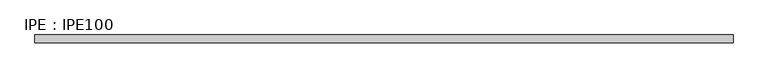
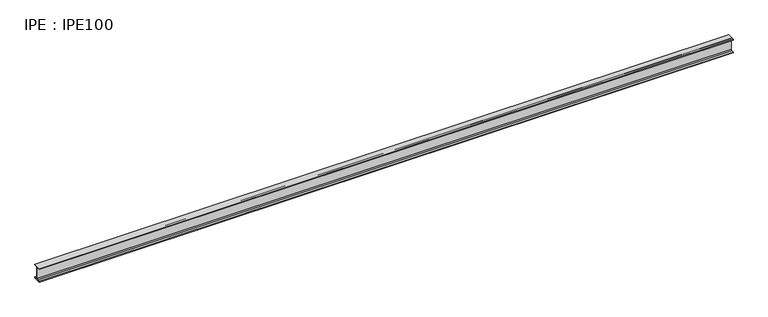
"""IFC4 building model written with IfcOpenShell, lengths in millimetres: beam geometry, IPE : IPE100."""

import ifcopenshell
import ifcopenshell.guid

model = None  # the IFC model being written
_history = None  # IfcOwnerHistory: only IFC2X3 demands one
_inside = {}  # id of a spatial element -> (the spatial element, [elements in it])
_under = {}  # id of a project, library or spatial element -> (it, [spatial elements below it])
_declared = {}  # id of a project -> (the project, [libraries it declares])
_typed = {}  # id of a type object -> (the type object, [elements of that type])
_made_of = {}  # id of a material, layer set ... -> (it, [elements and type objects made of it])


def new_model(schema):
    """Start an empty IFC model of exactly this schema.

    Asked for "IFC4X3", IfcOpenShell would pick the latest addendum, in which some entities
    have other attributes; the version numbers below select the first issue.
    IFC2X3 requires an IfcOwnerHistory on every rooted entity: one is made here for all.
    """
    global model, _history
    if schema == "IFC4X3":
        model = ifcopenshell.file(schema_version=(4, 3, 0, 0))
    else:
        model = ifcopenshell.file(schema=schema)
    _inside.clear()
    _under.clear()
    _declared.clear()
    _typed.clear()
    _made_of.clear()
    _history = None
    if model.schema == "IFC2X3":
        org = make("IfcOrganization", Name="unknown")
        user = make(
            "IfcPersonAndOrganization",
            ThePerson=make("IfcPerson", FamilyName="unknown"),
            TheOrganization=org,
        )
        app = make(
            "IfcApplication",
            ApplicationDeveloper=org,
            Version="unknown",
            ApplicationFullName="unknown",
            ApplicationIdentifier="unknown",
        )
        _history = make(
            "IfcOwnerHistory",
            OwningUser=user,
            OwningApplication=app,
            ChangeAction="ADDED",
            CreationDate=0,
        )
    return model


def make(cls, **values):
    """One entity of the class cls with the attributes given. An attribute that is None is left unset."""
    return model.create_entity(
        cls, **{name: value for name, value in values.items() if value is not None}
    )


def rooted(cls, **values):
    """An entity with a GlobalId (a new one), such as an element, a storey or a relation."""
    return make(cls, GlobalId=ifcopenshell.guid.new(), OwnerHistory=_history, **values)


def si_unit(unit_type, name, prefix=None):
    """IfcSIUnit, for example si_unit("LENGTHUNIT", "METRE", prefix="MILLI")."""
    return make("IfcSIUnit", UnitType=unit_type, Prefix=prefix, Name=name)


def assignment(units):
    """IfcUnitAssignment: the units of a project."""
    return None if units is None else make("IfcUnitAssignment", Units=units)


def point(xyz):
    """IfcCartesianPoint."""
    return None if xyz is None else make("IfcCartesianPoint", Coordinates=xyz)


def direction(xyz):
    """IfcDirection."""
    return None if xyz is None else make("IfcDirection", DirectionRatios=xyz)


def frame(location, z_axis=None, x_axis=None):
    """IfcAxis2Placement3D, a coordinate frame: its origin and axes. An axis left out is left unset."""
    return make(
        "IfcAxis2Placement3D",
        Location=point(location),
        Axis=direction(z_axis),
        RefDirection=direction(x_axis),
    )


def frame_2d(location, x_axis=None):
    """IfcAxis2Placement2D, a coordinate frame in the plane: its origin and x axis."""
    return make(
        "IfcAxis2Placement2D", Location=point(location), RefDirection=direction(x_axis)
    )


def origin():
    """The frame at (0, 0, 0) with its axes left unset."""
    return frame((0.0, 0.0, 0.0))


def place(relative_to, where):
    """IfcLocalPlacement: puts the frame where relative to a parent placement (None: the world)."""
    return make(
        "IfcLocalPlacement", PlacementRelTo=relative_to, RelativePlacement=where
    )


def context(
    kind, dimensions, precision=None, world=None, true_north=None, identifier=None
):
    """IfcGeometricRepresentationContext, for example the 3D "Model" context."""
    return make(
        "IfcGeometricRepresentationContext",
        ContextIdentifier=identifier,
        ContextType=kind,
        CoordinateSpaceDimension=dimensions,
        Precision=precision,
        WorldCoordinateSystem=world,
        TrueNorth=true_north,
    )


def project(units=None, contexts=None):
    """IfcProject with its units and contexts."""
    return rooted(
        "IfcProject",
        Name="project",
        RepresentationContexts=contexts,
        UnitsInContext=assignment(units),
    )


def spatial(cls, under=None, at=None, **own):
    """A site, building, storey or space (cls), placed at a placement, below another one or the project."""
    s = rooted(cls, ObjectPlacement=at, **own)
    if under is not None:
        _under.setdefault(under.id(), (under, []))[1].append(s)
    return s


def polyline(points):
    """IfcPolyline through the points."""
    return make("IfcPolyline", Points=[point(p) for p in points])


def circle_curve(where, radius):
    """IfcCircle in the frame where."""
    return make("IfcCircle", Position=where, Radius=radius)


def trimmed(basis, trim1, trim2, sense, master):
    """IfcTrimmedCurve: the piece of a basis curve between two trims."""
    return make(
        "IfcTrimmedCurve",
        BasisCurve=basis,
        Trim1=trim1,
        Trim2=trim2,
        SenseAgreement=sense,
        MasterRepresentation=master,
    )


def segment(curve, same_sense, transition):
    """IfcCompositeCurveSegment."""
    return make(
        "IfcCompositeCurveSegment",
        Transition=transition,
        SameSense=same_sense,
        ParentCurve=curve,
    )


def composite_curve(segments, self_intersect=None):
    """IfcCompositeCurve: segments joined end to end."""
    return make("IfcCompositeCurve", Segments=segments, SelfIntersect=self_intersect)


def outline(outer, holes=None, kind="AREA"):
    """IfcArbitraryClosedProfileDef: a profile drawn as a closed curve; with holes, ...WithVoids."""
    if holes is None:
        return make("IfcArbitraryClosedProfileDef", ProfileType=kind, OuterCurve=outer)
    return make(
        "IfcArbitraryProfileDefWithVoids",
        ProfileType=kind,
        OuterCurve=outer,
        InnerCurves=holes,
    )


def extrude(swept, where, along, depth):
    """IfcExtrudedAreaSolid: the profile swept, set in the frame where, extruded along a direction by depth."""
    return make(
        "IfcExtrudedAreaSolid",
        SweptArea=swept,
        Position=where,
        ExtrudedDirection=direction(along),
        Depth=depth,
    )


def shape(context_of_items, identifier, shape_type, items):
    """IfcShapeRepresentation: the items that make up one representation, for example the "Body"."""
    return make(
        "IfcShapeRepresentation",
        ContextOfItems=context_of_items,
        RepresentationIdentifier=identifier,
        RepresentationType=shape_type,
        Items=items,
    )


def source(mapping_origin, context_of_items, identifier, shape_type, items):
    """IfcRepresentationMap: a shape defined once, which mapped items show again and again."""
    return make(
        "IfcRepresentationMap",
        MappingOrigin=mapping_origin,
        MappedRepresentation=shape(context_of_items, identifier, shape_type, items),
    )


def transform(
    local_origin,
    x_axis=None,
    y_axis=None,
    z_axis=None,
    scale=None,
    scale2=None,
    scale3=None,
    uniform=True,
):
    """IfcCartesianTransformationOperator3D, or its non-uniform kind. x_axis, y_axis, z_axis: its Axis1, 2, 3."""
    if uniform:
        return make(
            "IfcCartesianTransformationOperator3D",
            Axis1=direction(x_axis),
            Axis2=direction(y_axis),
            LocalOrigin=point(local_origin),
            Scale=scale,
            Axis3=direction(z_axis),
        )
    return make(
        "IfcCartesianTransformationOperator3DnonUniform",
        Axis1=direction(x_axis),
        Axis2=direction(y_axis),
        LocalOrigin=point(local_origin),
        Scale=scale,
        Axis3=direction(z_axis),
        Scale2=scale2,
        Scale3=scale3,
    )


def mapped(mapping_source, mapping_target):
    """IfcMappedItem: shows the shape of a source again, moved by a transform."""
    return make(
        "IfcMappedItem", MappingSource=mapping_source, MappingTarget=mapping_target
    )


def made_of(thing, what):
    """Note that an element or type object is made of a material, layer set ...; save() writes the relation."""
    if what is not None:
        _made_of.setdefault(what.id(), (what, []))[1].append(thing)
    return thing


def element(
    cls,
    number,
    at=None,
    inside=None,
    cuts=None,
    type_object=None,
    material=None,
    context=None,
    identifier="Body",
    shape_type=None,
    held_by="IfcProductDefinitionShape",
    body=None,
    shapes=None,
    **own,
):
    """One element of the class cls, such as IfcWall. Its Tag is "e" and its number.

    at: its placement. inside: the storey or other place that contains it. cuts: it is an
    opening in that element (IfcRelVoidsElement). A single representation is given by context,
    identifier, shape_type and body (its items); several are given by shapes. held_by: the class
    of the entity that holds the representations. save() writes the other relations.
    """
    e = rooted(cls, Tag="e%d" % number, ObjectPlacement=at, **own)
    if body is not None:
        shapes = [shape(context, identifier, shape_type, body)]
    if shapes is not None:
        e.Representation = make(held_by, Representations=shapes)
    if inside is not None:
        _inside.setdefault(inside.id(), (inside, []))[1].append(e)
    if cuts is not None:
        rooted(
            "IfcRelVoidsElement", RelatingBuildingElement=cuts, RelatedOpeningElement=e
        )
    if type_object is not None:
        _typed.setdefault(type_object.id(), (type_object, []))[1].append(e)
    return made_of(e, material)


def aggregate(whole, parts):
    """IfcRelAggregates: a whole, such as a stair, and the parts it consists of."""
    return rooted("IfcRelAggregates", RelatingObject=whole, RelatedObjects=parts)


def save(model, path):
    """Write the relations noted so far, then the file.

    IfcRelAggregates (storeys below a building ...), IfcRelContainedInSpatialStructure (elements
    in a storey), IfcRelDefinesByType, IfcRelAssociatesMaterial and IfcRelDeclares: one each for
    every whole, place, type object, material and project.
    """
    for whole, parts in _under.values():
        aggregate(whole, parts)
    for where, things in _inside.values():
        rooted(
            "IfcRelContainedInSpatialStructure",
            RelatedElements=things,
            RelatingStructure=where,
        )
    for kind, things in _typed.values():
        rooted("IfcRelDefinesByType", RelatedObjects=things, RelatingType=kind)
    for what, things in _made_of.values():
        rooted("IfcRelAssociatesMaterial", RelatedObjects=things, RelatingMaterial=what)
    for by, libraries in _declared.values():
        rooted("IfcRelDeclares", RelatingContext=by, RelatedDefinitions=libraries)
    model.write(path)


def ipe_ipe100_3b2d3b2d(model_context):
    return source(origin(), model_context, "Body", "SweptSolid", [
        extrude(outline(composite_curve([segment(polyline([(27.5, -44.3), (27.5, -50.0), (-27.5, -50.0), (-27.5, -44.3), (-9.05, -44.3)]), True, "CONTINUOUS"), segment(trimmed(circle_curve(frame_2d((-9.05, -37.3)), 7.0), [point((-9.05, -44.3))], [point((-2.05, -37.3))], True, "CARTESIAN"), True, "CONTINUOUS"), segment(polyline([(-2.05, -37.3), (-2.05, 37.3)]), True, "CONTINUOUS"), segment(trimmed(circle_curve(frame_2d((-9.05, 37.3)), 7.0), [point((-2.05, 37.3))], [point((-9.05, 44.3))], True, "CARTESIAN"), True, "CONTINUOUS"), segment(polyline([(-9.05, 44.3), (-27.5, 44.3), (-27.5, 50.0), (27.5, 50.0), (27.5, 44.3), (9.05, 44.3)]), True, "CONTINUOUS"), segment(trimmed(circle_curve(frame_2d((9.05, 37.3)), 7.0), [point((9.05, 44.3))], [point((2.05, 37.3))], True, "CARTESIAN"), True, "CONTINUOUS"), segment(polyline([(2.05, 37.3), (2.05, -37.3)]), True, "CONTINUOUS"), segment(trimmed(circle_curve(frame_2d((9.05, -37.3)), 7.0), [point((2.05, -37.3))], [point((9.05, -44.3))], True, "CARTESIAN"), True, "CONTINUOUS"), segment(polyline([(9.05, -44.3), (27.5, -44.3)]), True, "CONTINUOUS")], self_intersect=False)), frame((-2431.1, 0.0, 0.0), z_axis=(1.0, 0.0, 0.0), x_axis=(0.0, 1.0, 0.0)), (0.0, 0.0, 1.0), 4880.3),
    ])


if __name__ == "__main__":
    model = new_model("IFC4")
    model_context = context("Model", 3, world=origin())
    ifc_project = project(units=[si_unit("LENGTHUNIT", "METRE", prefix="MILLI")], contexts=[model_context])
    site = spatial("IfcSite", under=ifc_project)
    building = spatial("IfcBuilding", under=site)
    placement = place(None, origin())
    ipe_ipe100_shape = ipe_ipe100_3b2d3b2d(model_context)
    element("IfcBeam", 1, ObjectType="IPE : IPE100", at=placement, inside=building, context=model_context, shape_type="MappedRepresentation", body=[
        mapped(ipe_ipe100_shape, transform((0.0, 0.0, 0.0), x_axis=(1.0, 0.0, 0.0), y_axis=(0.0, 1.0, 0.0), z_axis=(0.0, 0.0, 1.0))),
    ])
    save(model, "model.ifc")
